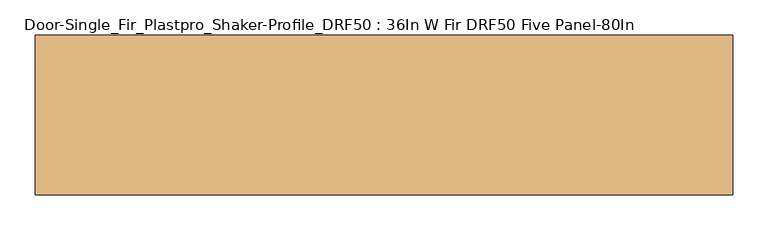
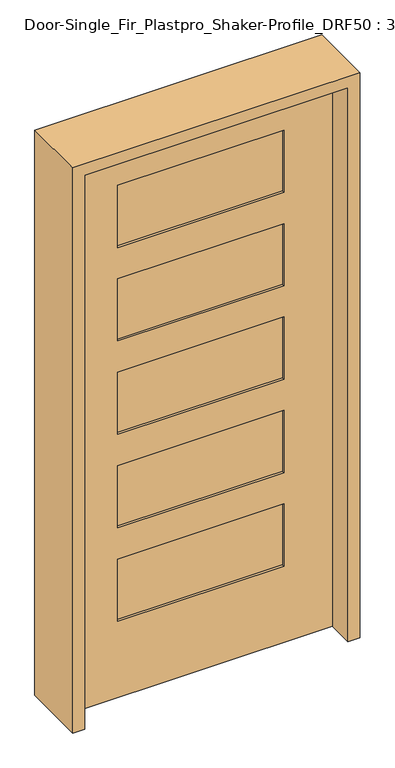
"""IFC4 building model written with IfcOpenShell, lengths in millimetres: door geometry, Door-Single_Fir_Plastpro_Shaker-Profile_DRF50 : 36In W Fir DRF50 Five Panel-80In."""

import ifcopenshell
import ifcopenshell.guid

model = None  # the IFC model being written
_history = None  # IfcOwnerHistory: only IFC2X3 demands one
_inside = {}  # id of a spatial element -> (the spatial element, [elements in it])
_under = {}  # id of a project, library or spatial element -> (it, [spatial elements below it])
_declared = {}  # id of a project -> (the project, [libraries it declares])
_typed = {}  # id of a type object -> (the type object, [elements of that type])
_made_of = {}  # id of a material, layer set ... -> (it, [elements and type objects made of it])


def new_model(schema):
    """Start an empty IFC model of exactly this schema.

    Asked for "IFC4X3", IfcOpenShell would pick the latest addendum, in which some entities
    have other attributes; the version numbers below select the first issue.
    IFC2X3 requires an IfcOwnerHistory on every rooted entity: one is made here for all.
    """
    global model, _history
    if schema == "IFC4X3":
        model = ifcopenshell.file(schema_version=(4, 3, 0, 0))
    else:
        model = ifcopenshell.file(schema=schema)
    _inside.clear()
    _under.clear()
    _declared.clear()
    _typed.clear()
    _made_of.clear()
    _history = None
    if model.schema == "IFC2X3":
        org = make("IfcOrganization", Name="unknown")
        user = make(
            "IfcPersonAndOrganization",
            ThePerson=make("IfcPerson", FamilyName="unknown"),
            TheOrganization=org,
        )
        app = make(
            "IfcApplication",
            ApplicationDeveloper=org,
            Version="unknown",
            ApplicationFullName="unknown",
            ApplicationIdentifier="unknown",
        )
        _history = make(
            "IfcOwnerHistory",
            OwningUser=user,
            OwningApplication=app,
            ChangeAction="ADDED",
            CreationDate=0,
        )
    return model


def make(cls, **values):
    """One entity of the class cls with the attributes given. An attribute that is None is left unset."""
    return model.create_entity(
        cls, **{name: value for name, value in values.items() if value is not None}
    )


def rooted(cls, **values):
    """An entity with a GlobalId (a new one), such as an element, a storey or a relation."""
    return make(cls, GlobalId=ifcopenshell.guid.new(), OwnerHistory=_history, **values)


def si_unit(unit_type, name, prefix=None):
    """IfcSIUnit, for example si_unit("LENGTHUNIT", "METRE", prefix="MILLI")."""
    return make("IfcSIUnit", UnitType=unit_type, Prefix=prefix, Name=name)


def assignment(units):
    """IfcUnitAssignment: the units of a project."""
    return None if units is None else make("IfcUnitAssignment", Units=units)


def point(xyz):
    """IfcCartesianPoint."""
    return None if xyz is None else make("IfcCartesianPoint", Coordinates=xyz)


def direction(xyz):
    """IfcDirection."""
    return None if xyz is None else make("IfcDirection", DirectionRatios=xyz)


def frame(location, z_axis=None, x_axis=None):
    """IfcAxis2Placement3D, a coordinate frame: its origin and axes. An axis left out is left unset."""
    return make(
        "IfcAxis2Placement3D",
        Location=point(location),
        Axis=direction(z_axis),
        RefDirection=direction(x_axis),
    )


def origin():
    """The frame at (0, 0, 0) with its axes left unset."""
    return frame((0.0, 0.0, 0.0))


def place(relative_to, where):
    """IfcLocalPlacement: puts the frame where relative to a parent placement (None: the world)."""
    return make(
        "IfcLocalPlacement", PlacementRelTo=relative_to, RelativePlacement=where
    )


def context(
    kind, dimensions, precision=None, world=None, true_north=None, identifier=None
):
    """IfcGeometricRepresentationContext, for example the 3D "Model" context."""
    return make(
        "IfcGeometricRepresentationContext",
        ContextIdentifier=identifier,
        ContextType=kind,
        CoordinateSpaceDimension=dimensions,
        Precision=precision,
        WorldCoordinateSystem=world,
        TrueNorth=true_north,
    )


def project(units=None, contexts=None):
    """IfcProject with its units and contexts."""
    return rooted(
        "IfcProject",
        Name="project",
        RepresentationContexts=contexts,
        UnitsInContext=assignment(units),
    )


def spatial(cls, under=None, at=None, **own):
    """A site, building, storey or space (cls), placed at a placement, below another one or the project."""
    s = rooted(cls, ObjectPlacement=at, **own)
    if under is not None:
        _under.setdefault(under.id(), (under, []))[1].append(s)
    return s


def polyline(points):
    """IfcPolyline through the points."""
    return make("IfcPolyline", Points=[point(p) for p in points])


def outline(outer, holes=None, kind="AREA"):
    """IfcArbitraryClosedProfileDef: a profile drawn as a closed curve; with holes, ...WithVoids."""
    if holes is None:
        return make("IfcArbitraryClosedProfileDef", ProfileType=kind, OuterCurve=outer)
    return make(
        "IfcArbitraryProfileDefWithVoids",
        ProfileType=kind,
        OuterCurve=outer,
        InnerCurves=holes,
    )


def extrude(swept, where, along, depth):
    """IfcExtrudedAreaSolid: the profile swept, set in the frame where, extruded along a direction by depth."""
    return make(
        "IfcExtrudedAreaSolid",
        SweptArea=swept,
        Position=where,
        ExtrudedDirection=direction(along),
        Depth=depth,
    )


def faces_of(points, faces, orient=None, outer=None):
    """IfcFace entities. A face is a list of loops; a loop is a list of indices into points, from 0.

    orient and outer hold one flag for each loop. By default every Orientation is true, the
    first loop of a face is its IfcFaceOuterBound and the others are IfcFaceBound.
    """
    made = []
    for i, loops in enumerate(faces):
        bounds = []
        for j, loop in enumerate(loops):
            is_outer = j == 0 if outer is None else outer[i][j]
            bounds.append(
                make(
                    "IfcFaceOuterBound" if is_outer else "IfcFaceBound",
                    Bound=make("IfcPolyLoop", Polygon=[points[k] for k in loop]),
                    Orientation=True if orient is None else orient[i][j],
                )
            )
        made.append(make("IfcFace", Bounds=bounds))
    return made


def faceted_brep(points, faces, orient=None, outer=None, voids=None):
    """IfcFacetedBrep: a solid bounded by flat faces; with voids (closed shells), ...WithVoids."""
    shared = [point(p) for p in points]
    hull = make("IfcClosedShell", CfsFaces=faces_of(shared, faces, orient, outer))
    if voids is None:
        return make("IfcFacetedBrep", Outer=hull)
    return make(
        "IfcFacetedBrepWithVoids",
        Outer=hull,
        Voids=[
            make(cls, CfsFaces=faces_of(shared, fs, o, b)) for cls, fs, o, b in voids
        ],
    )


def shape(context_of_items, identifier, shape_type, items):
    """IfcShapeRepresentation: the items that make up one representation, for example the "Body"."""
    return make(
        "IfcShapeRepresentation",
        ContextOfItems=context_of_items,
        RepresentationIdentifier=identifier,
        RepresentationType=shape_type,
        Items=items,
    )


def source(mapping_origin, context_of_items, identifier, shape_type, items):
    """IfcRepresentationMap: a shape defined once, which mapped items show again and again."""
    return make(
        "IfcRepresentationMap",
        MappingOrigin=mapping_origin,
        MappedRepresentation=shape(context_of_items, identifier, shape_type, items),
    )


def transform(
    local_origin,
    x_axis=None,
    y_axis=None,
    z_axis=None,
    scale=None,
    scale2=None,
    scale3=None,
    uniform=True,
):
    """IfcCartesianTransformationOperator3D, or its non-uniform kind. x_axis, y_axis, z_axis: its Axis1, 2, 3."""
    if uniform:
        return make(
            "IfcCartesianTransformationOperator3D",
            Axis1=direction(x_axis),
            Axis2=direction(y_axis),
            LocalOrigin=point(local_origin),
            Scale=scale,
            Axis3=direction(z_axis),
        )
    return make(
        "IfcCartesianTransformationOperator3DnonUniform",
        Axis1=direction(x_axis),
        Axis2=direction(y_axis),
        LocalOrigin=point(local_origin),
        Scale=scale,
        Axis3=direction(z_axis),
        Scale2=scale2,
        Scale3=scale3,
    )


def mapped(mapping_source, mapping_target):
    """IfcMappedItem: shows the shape of a source again, moved by a transform."""
    return make(
        "IfcMappedItem", MappingSource=mapping_source, MappingTarget=mapping_target
    )


def made_of(thing, what):
    """Note that an element or type object is made of a material, layer set ...; save() writes the relation."""
    if what is not None:
        _made_of.setdefault(what.id(), (what, []))[1].append(thing)
    return thing


def element(
    cls,
    number,
    at=None,
    inside=None,
    cuts=None,
    type_object=None,
    material=None,
    context=None,
    identifier="Body",
    shape_type=None,
    held_by="IfcProductDefinitionShape",
    body=None,
    shapes=None,
    **own,
):
    """One element of the class cls, such as IfcWall. Its Tag is "e" and its number.

    at: its placement. inside: the storey or other place that contains it. cuts: it is an
    opening in that element (IfcRelVoidsElement). A single representation is given by context,
    identifier, shape_type and body (its items); several are given by shapes. held_by: the class
    of the entity that holds the representations. save() writes the other relations.
    """
    e = rooted(cls, Tag="e%d" % number, ObjectPlacement=at, **own)
    if body is not None:
        shapes = [shape(context, identifier, shape_type, body)]
    if shapes is not None:
        e.Representation = make(held_by, Representations=shapes)
    if inside is not None:
        _inside.setdefault(inside.id(), (inside, []))[1].append(e)
    if cuts is not None:
        rooted(
            "IfcRelVoidsElement", RelatingBuildingElement=cuts, RelatedOpeningElement=e
        )
    if type_object is not None:
        _typed.setdefault(type_object.id(), (type_object, []))[1].append(e)
    return made_of(e, material)


def aggregate(whole, parts):
    """IfcRelAggregates: a whole, such as a stair, and the parts it consists of."""
    return rooted("IfcRelAggregates", RelatingObject=whole, RelatedObjects=parts)


def save(model, path):
    """Write the relations noted so far, then the file.

    IfcRelAggregates (storeys below a building ...), IfcRelContainedInSpatialStructure (elements
    in a storey), IfcRelDefinesByType, IfcRelAssociatesMaterial and IfcRelDeclares: one each for
    every whole, place, type object, material and project.
    """
    for whole, parts in _under.values():
        aggregate(whole, parts)
    for where, things in _inside.values():
        rooted(
            "IfcRelContainedInSpatialStructure",
            RelatedElements=things,
            RelatingStructure=where,
        )
    for kind, things in _typed.values():
        rooted("IfcRelDefinesByType", RelatedObjects=things, RelatingType=kind)
    for what, things in _made_of.values():
        rooted("IfcRelAssociatesMaterial", RelatedObjects=things, RelatingMaterial=what)
    for by, libraries in _declared.values():
        rooted("IfcRelDeclares", RelatingContext=by, RelatedDefinitions=libraries)
    model.write(path)


def door_single_fir_plastpro_shaker_profile_drf50_36in_w_fir_428030f7(model_context):
    return source(origin(), model_context, "Body", "SolidModel", [
        faceted_brep([(457.2, 20.574, 0.0), (457.2, -20.701, 0.0), (-457.2, -20.701, 0.0), (-457.2, 20.574, 0.0), (457.2, 20.574, 2032.0), (457.2, -20.701, 2032.0), (-457.2, -20.701, 2032.0), (-288.925, -20.701, 965.2), (-288.925, -20.701, 1193.8), (288.925, -20.701, 1193.8), (288.925, -20.701, 965.2), (-288.925, -20.701, 622.3), (-288.925, -20.701, 850.9), (288.925, -20.701, 850.9), (288.925, -20.701, 622.3), (-288.925, -20.701, 279.4), (-288.925, -20.701, 508.0), (288.925, -20.701, 508.0), (288.925, -20.701, 279.4), (-288.925, -20.701, 1651.0), (-288.925, -20.701, 1879.6), (288.925, -20.701, 1879.6), (288.925, -20.701, 1651.0), (-288.925, -20.701, 1308.1), (-288.925, -20.701, 1536.7), (288.925, -20.701, 1536.7), (288.925, -20.701, 1308.1), (-457.2, 20.574, 2032.0), (-288.925, 20.574, 1193.8), (-288.925, 20.574, 965.2), (288.925, 20.574, 965.2), (288.925, 20.574, 1193.8), (-288.925, 20.574, 850.9), (-288.925, 20.574, 622.3), (288.925, 20.574, 622.3), (288.925, 20.574, 850.9), (-288.925, 20.574, 508.0), (-288.925, 20.574, 279.4), (288.925, 20.574, 279.4), (288.925, 20.574, 508.0), (-288.925, 20.574, 1879.6), (-288.925, 20.574, 1651.0), (288.925, 20.574, 1651.0), (288.925, 20.574, 1879.6), (-288.925, 20.574, 1536.7), (-288.925, 20.574, 1308.1), (288.925, 20.574, 1308.1), (288.925, 20.574, 1536.7), (-288.925, 11.5937439, 1193.8), (-288.925, 11.5937439, 965.2), (288.925, 11.5937439, 965.2), (288.925, 11.5937439, 1193.8), (-288.925, 11.5937439, 850.9), (-288.925, 11.5937439, 622.3), (288.925, 11.5937439, 622.3), (288.925, 11.5937439, 850.9), (-288.925, 11.5937439, 508.0), (-288.925, 11.5937439, 279.4), (288.925, 11.5937439, 279.4), (288.925, 11.5937439, 508.0), (-288.925, -11.7207439, 965.2), (-288.925, -11.7207439, 1193.8), (288.925, -11.7207439, 1193.8), (288.925, -11.7207439, 965.2), (-288.925, -11.7207439, 622.3), (-288.925, -11.7207439, 850.9), (288.925, -11.7207439, 850.9), (288.925, -11.7207439, 622.3), (-288.925, -11.7207439, 279.4), (-288.925, -11.7207439, 508.0), (288.925, -11.7207439, 508.0), (288.925, -11.7207439, 279.4), (-288.925, -11.7207439, 1651.0), (288.925, -11.7207439, 1651.0), (288.925, -11.7207439, 1879.6), (-288.925, -11.7207439, 1879.6), (-288.925, -11.7207439, 1308.1), (288.925, -11.7207439, 1308.1), (288.925, -11.7207439, 1536.7), (-288.925, -11.7207439, 1536.7), (-288.925, 11.5937439, 1651.0), (-288.925, 11.5937439, 1879.6), (288.925, 11.5937439, 1879.6), (288.925, 11.5937439, 1651.0), (-288.925, 11.5937439, 1308.1), (-288.925, 11.5937439, 1536.7), (288.925, 11.5937439, 1536.7), (288.925, 11.5937439, 1308.1)], [[[0, 1, 2, 3]], [[4, 5, 1, 0]], [[5, 6, 2, 1], [7, 8, 9, 10], [11, 12, 13, 14], [15, 16, 17, 18], [19, 20, 21, 22], [23, 24, 25, 26]], [[6, 27, 3, 2]], [[27, 4, 0, 3], [28, 29, 30, 31], [32, 33, 34, 35], [36, 37, 38, 39], [40, 41, 42, 43], [44, 45, 46, 47]], [[48, 49, 29, 28]], [[49, 50, 30, 29]], [[50, 51, 31, 30]], [[51, 48, 28, 31]], [[52, 53, 33, 32]], [[53, 54, 34, 33]], [[54, 55, 35, 34]], [[55, 52, 32, 35]], [[56, 57, 37, 36]], [[57, 58, 38, 37]], [[58, 59, 39, 38]], [[59, 56, 36, 39]], [[60, 61, 8, 7]], [[61, 62, 9, 8]], [[62, 63, 10, 9]], [[63, 60, 7, 10]], [[64, 65, 12, 11]], [[65, 66, 13, 12]], [[66, 67, 14, 13]], [[67, 64, 11, 14]], [[68, 69, 16, 15]], [[69, 70, 17, 16]], [[70, 71, 18, 17]], [[71, 68, 15, 18]], [[60, 63, 62, 61]], [[64, 67, 66, 65]], [[68, 71, 70, 69]], [[72, 73, 74, 75]], [[76, 77, 78, 79]], [[49, 48, 51, 50]], [[53, 52, 55, 54]], [[57, 56, 59, 58]], [[80, 81, 82, 83]], [[84, 85, 86, 87]], [[4, 27, 6, 5]], [[72, 75, 20, 19]], [[75, 74, 21, 20]], [[74, 73, 22, 21]], [[73, 72, 19, 22]], [[76, 79, 24, 23]], [[79, 78, 25, 24]], [[78, 77, 26, 25]], [[77, 76, 23, 26]], [[81, 80, 41, 40]], [[82, 81, 40, 43]], [[83, 82, 43, 42]], [[80, 83, 42, 41]], [[85, 84, 45, 44]], [[86, 85, 44, 47]], [[87, 86, 47, 46]], [[84, 87, 46, 45]]]),
        extrude(outline(polyline([(2073.275, -498.475), (0.0, -498.475), (0.0, -457.2), (2032.0, -457.2), (2032.0, 457.2), (0.0, 457.2), (0.0, 498.475), (2073.275, 498.475), (2073.275, -498.475)])), frame((0.0, -114.3, 0.0), z_axis=(0.0, 1.0, 0.0), x_axis=(0.0, 0.0, 1.0)), (0.0, 0.0, 1.0), 228.6),
    ])


if __name__ == "__main__":
    model = new_model("IFC4")
    model_context = context("Model", 3, world=origin())
    ifc_project = project(units=[si_unit("LENGTHUNIT", "METRE", prefix="MILLI")], contexts=[model_context])
    site = spatial("IfcSite", under=ifc_project)
    building = spatial("IfcBuilding", under=site)
    placement = place(None, origin())
    door_single_fir_plastpro_shaker_profile_drf50_36in_w_fir_shape = door_single_fir_plastpro_shaker_profile_drf50_36in_w_fir_428030f7(model_context)
    element("IfcDoor", 1, ObjectType="Door-Single_Fir_Plastpro_Shaker-Profile_DRF50 : 36In W Fir DRF50 Five Panel-80In", at=placement, inside=building, context=model_context, shape_type="MappedRepresentation", body=[
        mapped(door_single_fir_plastpro_shaker_profile_drf50_36in_w_fir_shape, transform((0.0, 0.0, 0.0), x_axis=(1.0, 0.0, 0.0), y_axis=(0.0, 1.0, 0.0), z_axis=(0.0, 0.0, 1.0))),
    ])
    save(model, "model.ifc")
